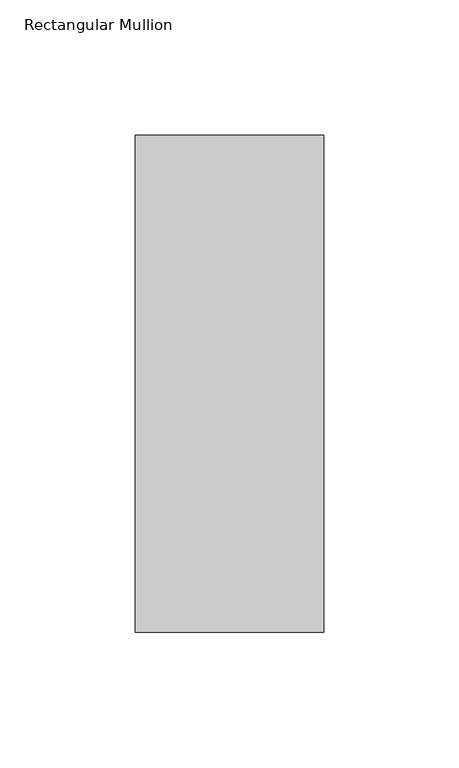
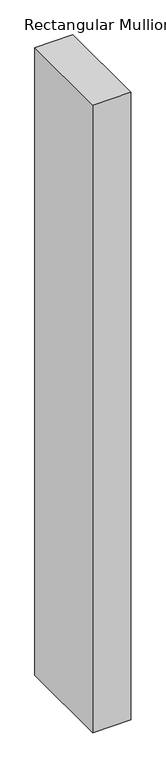
"""IFC4 building model written with IfcOpenShell, lengths in millimetres: member geometry, Rectangular Mullion."""

from ifc_helpers import new_model, si_unit, frame, origin, place, context, project, spatial, polyline, outline, extrude, source, transform, mapped, element, save


def rectangular_mullion_fd78a96a(model_context):
    return source(origin(), model_context, "Body", "SweptSolid", [
        extrude(outline(polyline([(-69.85, 159.54375), (0.0, 159.54375), (0.0, -24.60625), (-69.85, -24.60625), (-69.85, 159.54375)])), frame((0.0, 0.0, -1219.2), z_axis=(0.0, 0.0, 1.0), x_axis=(1.0, 0.0, 0.0)), (0.0, 0.0, 1.0), 1219.2),
    ])


if __name__ == "__main__":
    model = new_model("IFC4")
    model_context = context("Model", 3, world=origin())
    ifc_project = project(units=[si_unit("LENGTHUNIT", "METRE", prefix="MILLI")], contexts=[model_context])
    site = spatial("IfcSite", under=ifc_project)
    building = spatial("IfcBuilding", under=site)
    placement = place(None, origin())
    rectangular_mullion_shape = rectangular_mullion_fd78a96a(model_context)
    element("IfcMember", 1, ObjectType="Rectangular Mullion", at=placement, inside=building, context=model_context, shape_type="MappedRepresentation", body=[
        mapped(rectangular_mullion_shape, transform((0.0, 0.0, 0.0), x_axis=(1.0, 0.0, 0.0), y_axis=(0.0, 1.0, 0.0), z_axis=(0.0, 0.0, 1.0))),
    ])
    save(model, "model.ifc")
